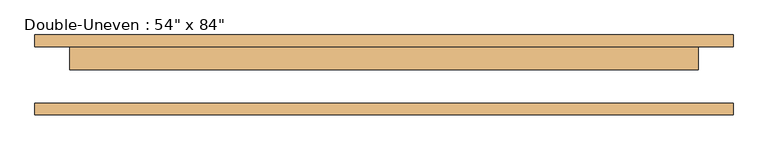
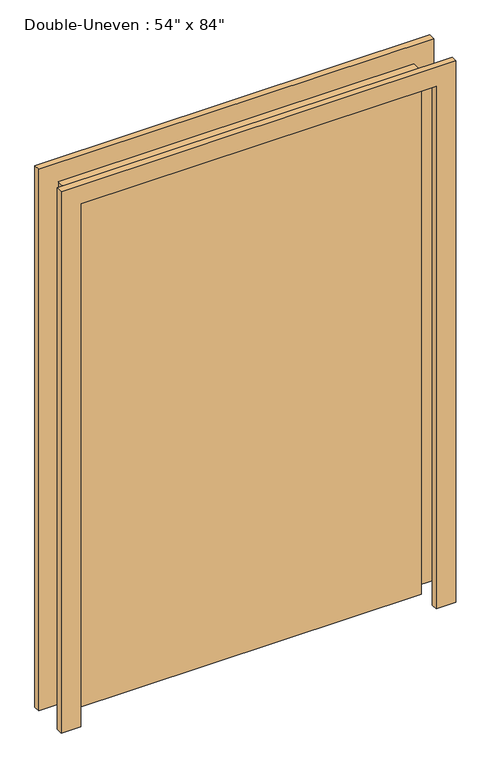
"""IFC4 building model written with IfcOpenShell, lengths in millimetres: door geometry."""

from ifc_helpers import new_model, si_unit, frame, origin, origin_with_axes, place, context, project, spatial, polyline, outline, extrude, source, transform, mapped, element, save


def door_38b1bbc9(model_context):
    return source(origin(), model_context, "Body", "SweptSolid", [
        extrude(outline(polyline([(101.6, 61.9125), (101.6, 11.1125), (-1270.0, 11.1125), (-1270.0, 61.9125), (101.6, 61.9125)])), origin_with_axes(), (0.0, 0.0, 1.0), 2133.6),
        extrude(outline(polyline([(2133.6, -1270.0), (2133.6, 101.6), (0.0, 101.6), (0.0, 177.8), (2209.8, 177.8), (2209.8, -1346.2), (0.0, -1346.2), (0.0, -1270.0), (2133.6, -1270.0)])), frame((0.0, -87.3125, 0.0), z_axis=(0.0, 1.0, 0.0), x_axis=(0.0, 0.0, 1.0)), (0.0, 0.0, 1.0), 25.4),
        extrude(outline(polyline([(2133.6, -1270.0), (2133.6, 101.6), (0.0, 101.6), (0.0, 177.8), (2209.8, 177.8), (2209.8, -1346.2), (0.0, -1346.2), (0.0, -1270.0), (2133.6, -1270.0)])), frame((0.0, 61.9125, 0.0), z_axis=(0.0, 1.0, 0.0), x_axis=(0.0, 0.0, 1.0)), (0.0, 0.0, 1.0), 25.4),
    ])


if __name__ == "__main__":
    model = new_model("IFC4")
    model_context = context("Model", 3, world=origin())
    ifc_project = project(units=[si_unit("LENGTHUNIT", "METRE", prefix="MILLI")], contexts=[model_context])
    site = spatial("IfcSite", under=ifc_project)
    building = spatial("IfcBuilding", under=site)
    placement = place(None, origin())
    door_shape = door_38b1bbc9(model_context)
    element("IfcDoor", 1, ObjectType="Double-Uneven : 54\" x 84\"", at=placement, inside=building, context=model_context, shape_type="MappedRepresentation", body=[
        mapped(door_shape, transform((0.0, 0.0, 0.0), x_axis=(1.0, 0.0, 0.0), y_axis=(0.0, 1.0, 0.0), z_axis=(0.0, 0.0, 1.0))),
    ])
    save(model, "model.ifc")
